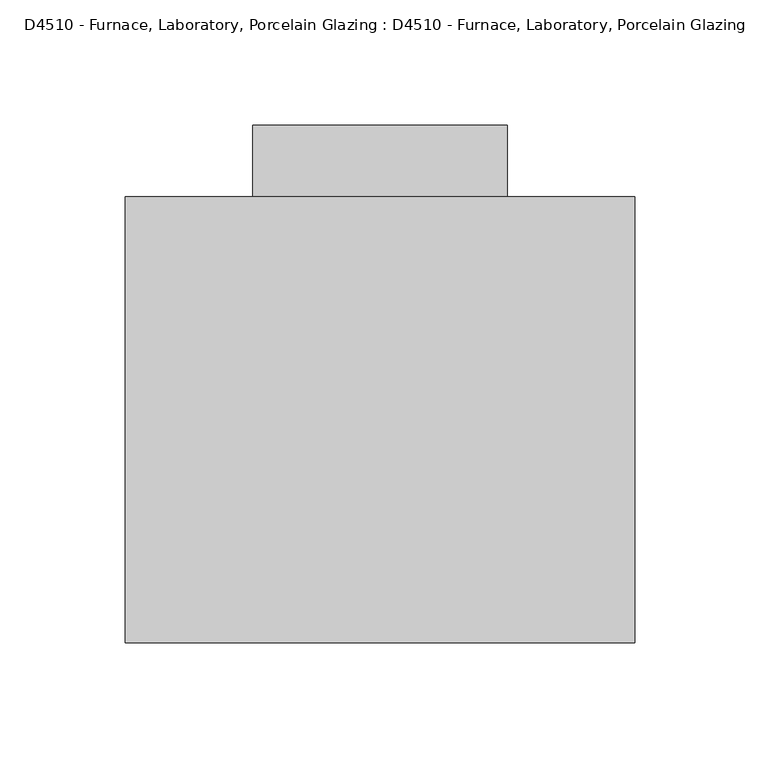
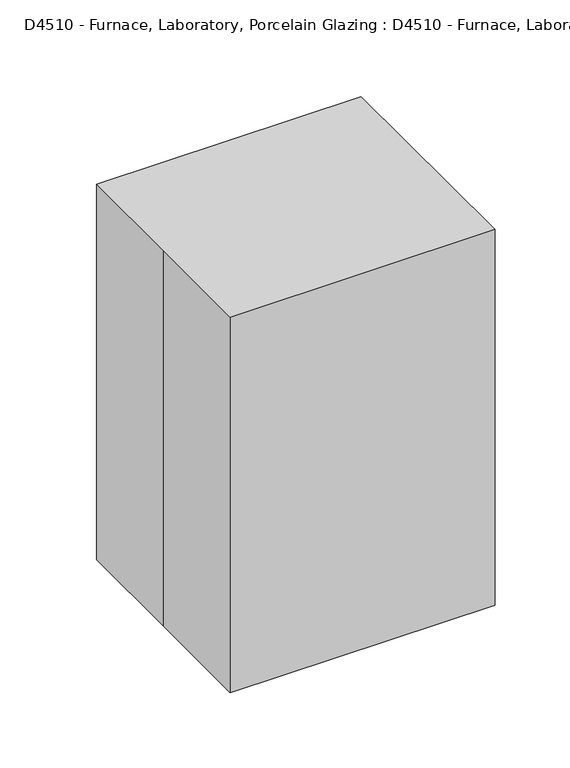
"""IFC4 building model written with IfcOpenShell, lengths in millimetres: proxy geometry, D4510 - Furnace, Laboratory, Porcelain Glazing : D4510 - Furnace, Laboratory, Porcelain Glazing."""

from ifc_helpers import new_model, si_unit, point, frame, frame_2d, origin, place, context, project, spatial, polyline, circle_curve, trimmed, segment, composite_curve, outline, extrude, faceted_brep, source, transform, mapped, element, save


def d4510_furnace_laboratory_porcelain_glazing_d4510_furnace_603f3efc(model_context):
    return source(origin(), model_context, "Body", "SolidModel", [
        extrude(outline(polyline([(50.8, 79.375), (-50.8, 79.375), (-50.8, 117.475), (50.8, 117.475), (50.8, 79.375)])), frame((0.0, 0.0, 212.0788899), z_axis=(0.0, 0.0, 1.0), x_axis=(1.0, 0.0, 0.0)), (0.0, 0.0, 1.0), 2.7662113),
        extrude(outline(polyline([(259.2951012, 50.8), (259.2951012, -50.8), (214.8451012, -50.8), (214.8451012, 50.8), (259.2951012, 50.8)]), holes=[polyline([(247.2298318, 28.575), (228.1798318, 28.575), (228.1798318, -28.575), (247.2298318, -28.575), (247.2298318, 28.575)])]), frame((0.0, 79.375, 0.0), z_axis=(0.0, 1.0, 0.0), x_axis=(0.0, 0.0, 1.0)), (0.0, 0.0, 1.0), 3.175),
        extrude(outline(polyline([(288.925, -76.2), (0.0, -76.2), (0.0, -73.025), (285.75, -73.025), (285.75, 73.025), (0.0, 73.025), (0.0, 76.2), (288.925, 76.2), (288.925, -76.2)])), frame((0.0, -82.55, 0.0), z_axis=(0.0, 1.0, 0.0), x_axis=(0.0, 0.0, 1.0)), (0.0, 0.0, 1.0), 165.1),
        faceted_brep([(28.575, -68.0088375, 247.2298318), (28.575, -68.0088375, 228.1798318), (-28.575, -68.0088375, 228.1798318), (-28.575, -68.0088375, 247.2298318), (-28.575, 79.375, 247.2298318), (28.575, 79.375, 247.2298318), (-28.575, 79.375, 228.1798318), (28.575, 79.375, 228.1798318), (73.025, -79.375, 285.75), (73.025, 79.375, 285.75), (-73.025, 79.375, 285.75), (-73.025, -79.375, 285.75), (73.025, -79.375, 0.0), (-73.025, -79.375, 0.0), (-73.025, 79.375, 0.0), (73.025, 79.375, 0.0)], [[[0, 1, 2, 3]], [[3, 4, 5, 0]], [[2, 6, 4, 3]], [[1, 7, 6, 2]], [[0, 5, 7, 1]], [[8, 9, 10, 11]], [[12, 13, 14, 15]], [[11, 13, 12, 8]], [[10, 14, 13, 11]], [[9, 15, 14, 10], [4, 6, 7, 5]], [[8, 12, 15, 9]]]),
        faceted_brep([(-101.6, -88.9, 304.8), (101.6, -88.9, 304.8), (101.6, 88.9, 304.8), (-101.6, 88.9, 304.8), (-101.6, 0.0, 304.8), (-101.6, -88.9, 0.0), (-101.6, 0.0, 0.0), (-101.6, 88.9, 0.0), (101.6, 88.9, 0.0), (101.6, -88.9, 0.0), (-28.575, 88.9, 247.2298318), (-28.575, 88.9, 228.1798318), (28.575, 88.9, 228.1798318), (28.575, 88.9, 247.2298318), (28.575, -68.0088375, 247.2298318), (28.575, -68.0088375, 228.1798318), (-28.575, -68.0088375, 228.1798318), (-28.575, -68.0088375, 247.2298318)], [[[0, 1, 2, 3, 4]], [[5, 6, 7, 8, 9]], [[4, 6, 5, 0]], [[3, 7, 6, 4]], [[2, 8, 7, 3], [10, 11, 12, 13]], [[1, 9, 8, 2]], [[0, 5, 9, 1]], [[14, 15, 16, 17]], [[17, 10, 13, 14]], [[16, 11, 10, 17]], [[15, 12, 11, 16]], [[14, 13, 12, 15]]]),
        extrude(outline(polyline([(-4.2560996, 80.5655156), (-4.2560996, 79.375), (-67.7560996, 79.375), (-67.7560996, 80.5655156), (-4.2560996, 80.5655156)])), frame((0.0, 0.0, 42.7549835), z_axis=(0.0, 0.0, 1.0), x_axis=(1.0, 0.0, 0.0)), (0.0, 0.0, 1.0), 31.75),
        extrude(outline(composite_curve([segment(trimmed(circle_curve(frame_2d((41.9367686, 35.7957434)), 19.05), [point((41.9367686, 16.7457434))], [point((41.9367686, 54.8457434))], False, "CARTESIAN"), True, "CONTINUOUS"), segment(trimmed(circle_curve(frame_2d((41.9367686, 35.7957434)), 19.05), [point((41.9367686, 54.8457434))], [point((41.9367686, 16.7457434))], False, "CARTESIAN"), True, "CONTINUOUS")], self_intersect=False)), frame((0.0, 79.375, 0.0), z_axis=(0.0, 1.0, 0.0), x_axis=(0.0, 0.0, 1.0)), (0.0, 0.0, 1.0), 1.1905156),
        extrude(outline(composite_curve([segment(trimmed(circle_curve(frame_2d((41.9367686, 35.7957434)), 6.35), [point((41.9367686, 29.4457434))], [point((41.9367686, 42.1457434))], False, "CARTESIAN"), True, "CONTINUOUS"), segment(trimmed(circle_curve(frame_2d((41.9367686, 35.7957434)), 6.35), [point((41.9367686, 42.1457434))], [point((41.9367686, 29.4457434))], False, "CARTESIAN"), True, "CONTINUOUS")], self_intersect=False)), frame((0.0, 80.5655156, 0.0), z_axis=(0.0, 1.0, 0.0), x_axis=(0.0, 0.0, 1.0)), (0.0, 0.0, 1.0), 8.3344844),
    ])


if __name__ == "__main__":
    model = new_model("IFC4")
    model_context = context("Model", 3, world=origin())
    ifc_project = project(units=[si_unit("LENGTHUNIT", "METRE", prefix="MILLI")], contexts=[model_context])
    site = spatial("IfcSite", under=ifc_project)
    building = spatial("IfcBuilding", under=site)
    placement = place(None, origin())
    d4510_furnace_laboratory_porcelain_glazing_d4510_furnace_shape = d4510_furnace_laboratory_porcelain_glazing_d4510_furnace_603f3efc(model_context)
    element("IfcBuildingElementProxy", 1, Name="D4510 - Furnace, Laboratory, Porcelain Glazing : D4510 - Furnace, Laboratory, Porcelain Glazing", ObjectType="D4510 - Furnace, Laboratory, Porcelain Glazing : D4510 - Furnace, Laboratory, Porcelain Glazing", at=placement, inside=building, context=model_context, shape_type="MappedRepresentation", body=[
        mapped(d4510_furnace_laboratory_porcelain_glazing_d4510_furnace_shape, transform((0.0, 0.0, 0.0), x_axis=(1.0, 0.0, 0.0), y_axis=(0.0, 1.0, 0.0), z_axis=(0.0, 0.0, 1.0))),
    ])
    save(model, "model.ifc")
